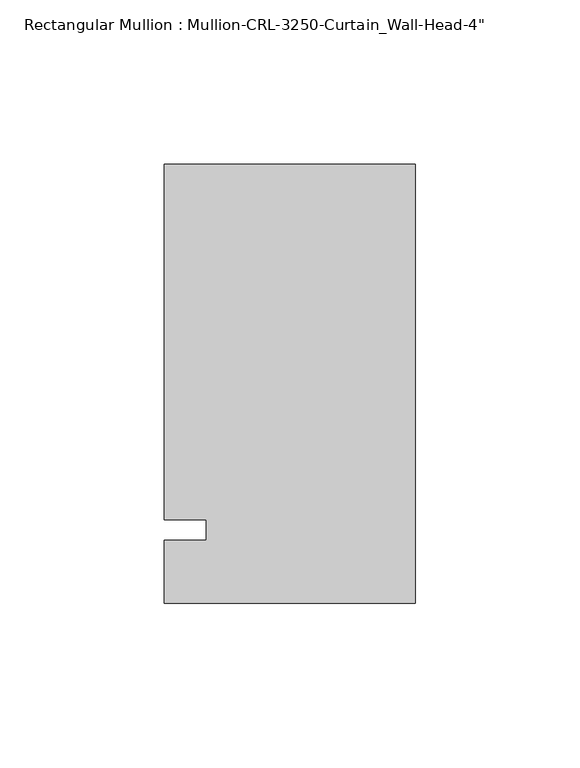
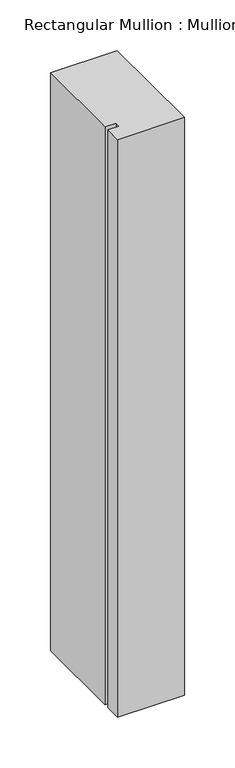
"""IFC4 building model written with IfcOpenShell, lengths in millimetres: member geometry."""

from ifc_helpers import new_model, si_unit, frame, origin, place, context, project, spatial, polyline, outline, extrude, source, transform, mapped, element, save


def member_40ef4a46(model_context):
    return source(origin(), model_context, "Body", "SweptSolid", [
        extrude(outline(polyline([(0.0, -22.2254168), (-76.199997, -22.2254168), (-76.199997, -3.175), (-63.499997, -3.175), (-63.499997, 3.175), (-76.199997, 3.175), (-76.199997, 111.1245832), (0.0, 111.1245832), (0.0, -22.2254168)])), frame((0.0, 0.0, -698.3166731), z_axis=(0.0, 0.0, 1.0), x_axis=(1.0, 0.0, 0.0)), (0.0, 0.0, 1.0), 698.3166731),
    ])


if __name__ == "__main__":
    model = new_model("IFC4")
    model_context = context("Model", 3, world=origin())
    ifc_project = project(units=[si_unit("LENGTHUNIT", "METRE", prefix="MILLI")], contexts=[model_context])
    site = spatial("IfcSite", under=ifc_project)
    building = spatial("IfcBuilding", under=site)
    placement = place(None, origin())
    member_shape = member_40ef4a46(model_context)
    element("IfcMember", 1, ObjectType="Rectangular Mullion : Mullion-CRL-3250-Curtain_Wall-Head-4\"", at=placement, inside=building, context=model_context, shape_type="MappedRepresentation", body=[
        mapped(member_shape, transform((0.0, 0.0, 0.0), x_axis=(1.0, 0.0, 0.0), y_axis=(0.0, 1.0, 0.0), z_axis=(0.0, 0.0, 1.0))),
    ])
    save(model, "model.ifc")
